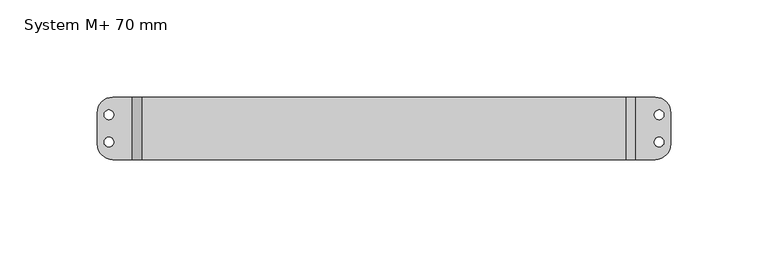
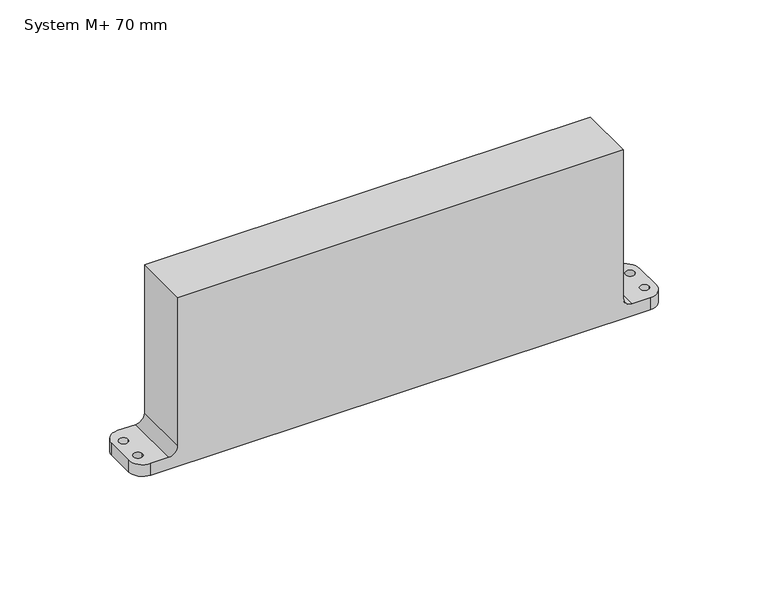
"""IFC4 building model written with IfcOpenShell, lengths in millimetres: proxy geometry, System M+ 70 mm."""

from ifc_helpers import new_model, si_unit, frame, origin, origin_with_axes, place, context, project, spatial, polyline, circle_curve, ellipse_curve, source, transform, mapped, element, save
from ifc_brep_helpers import plane_surface, cylinder_surface, revolved_surface, spline_surface, advanced_brep


def system_m_70_mm_618c95ed(model_context):
    return source(origin(), model_context, "Body", "AdvancedBrep", [
        advanced_brep(
        [(7.5, 0.0, 1.0), (-7.5, 0.0, 1.0), (6.75, 0.0, -8.0), (-6.75, 0.0, -8.0)],
        [
            (0, 1, ellipse_curve(frame((0.0, 0.0, 1.0), z_axis=(0.0, 0.0, 1.0), x_axis=(-1.0, 0.0, 0.0)), 7.5, 4.8)),
            (1, 0, ellipse_curve(frame((0.0, 0.0, 1.0), z_axis=(0.0, 0.0, 1.0), x_axis=(-1.0, 0.0, 0.0)), 7.5, 4.8)),
            (2, 3, ellipse_curve(frame((0.0, 0.0, -8.0), z_axis=(0.0, 0.0, -1.0), x_axis=(-1.0, 0.0, 0.0)), 6.75, 4.0)),
            (3, 2, ellipse_curve(frame((0.0, 0.0, -8.0), z_axis=(0.0, 0.0, -1.0), x_axis=(-1.0, 0.0, 0.0)), 6.75, 4.0)),
            (3, 1),
            (0, 2),
        ],
        [
            plane_surface(frame((0.0, 0.0, 1.0), z_axis=(0.0, 0.0, 1.0), x_axis=(0.0, 1.0, 0.0))),
            plane_surface(frame((0.0, 0.0, -8.0), z_axis=(0.0, 0.0, -1.0), x_axis=(0.0, 1.0, 0.0))),
            spline_surface(2, 1, [[(6.75, 0.0, -8.0), (7.5, 0.0, 1.0)], [(6.75, 4.0, -8.0), (7.5, 4.8, 1.0)], [(0.0, 4.0, -8.0), (0.0, 4.8, 1.0)], [(-6.75, 4.0, -8.0), (-7.5, 4.8, 1.0)], [(-6.75, 0.0, -8.0), (-7.5, 0.0, 1.0)]], [3, 2, 3], [2, 2], [0.0, 1.0, 2.0], [0.0, 1.0], weights=[[1.0, 1.0], [0.7071067811865476, 0.7071067811865476], [1.0, 1.0], [0.7071067811865476, 0.7071067811865476], [1.0, 1.0]]),
            spline_surface(2, 1, [[(-6.75, 0.0, -8.0), (-7.5, 0.0, 1.0)], [(-6.75, -4.0, -8.0), (-7.5, -4.8, 1.0)], [(0.0, -4.0, -8.0), (0.0, -4.8, 1.0)], [(6.75, -4.0, -8.0), (7.5, -4.8, 1.0)], [(6.75, 0.0, -8.0), (7.5, 0.0, 1.0)]], [3, 2, 3], [2, 2], [0.0, 1.0, 2.0], [0.0, 1.0], weights=[[1.0, 1.0], [0.7071067811865476, 0.7071067811865476], [1.0, 1.0], [0.7071067811865476, 0.7071067811865476], [1.0, 1.0]]),
        ],
        [
            (0, [[1, 2]]),
            (1, [[3, 4]]),
            (2, [[-4, 5, -1, 6]]),
            (3, [[-3, -6, -2, -5]]),
        ],
    ),
        advanced_brep(
        [(214.8, -16.0, 7.0), (209.8, -16.0, 12.0), (209.8, -16.0, 99.6), (-39.0, -16.0, 99.6), (-39.0, -16.0, 12.0), (-44.0, -16.0, 7.0), (-54.0, -16.0, 7.0), (-54.0, -16.0, 0.0), (224.8, -16.0, 0.0), (224.8, -16.0, 7.0), (-44.0, 16.0, 7.0), (-39.0, 16.0, 12.0), (-39.0, 16.0, 99.6), (209.8, 16.0, 99.6), (209.8, 16.0, 12.0), (214.8, 16.0, 7.0), (224.8, 16.0, 7.0), (224.8, 16.0, 0.0), (-54.0, 16.0, 0.0), (-54.0, 16.0, 7.0), (-62.0, -8.0, 7.0), (-62.0, 8.0, 7.0), (-62.0, 8.0, 0.0), (-62.0, -8.0, 0.0), (232.8, 8.0, 0.0), (232.8, -8.0, 0.0), (-14.0, 0.0, 0.0), (14.0, 0.0, 0.0), (-50.25, 7.0, 0.0), (-61.75, 7.0, 0.0), (-61.75, -7.0, 0.0), (-50.25, -7.0, 0.0), (232.55, 7.0, 0.0), (221.05, 7.0, 0.0), (221.05, -7.0, 0.0), (232.55, -7.0, 0.0), (232.8, 8.0, 7.0), (232.8, -8.0, 7.0), (224.3, 7.0, 7.0), (229.3, 7.0, 7.0), (229.3, -7.0, 7.0), (224.3, -7.0, 7.0), (-58.5, 7.0, 7.0), (-53.5, 7.0, 7.0), (-53.5, -7.0, 7.0), (-58.5, -7.0, 7.0), (-53.5, 7.0, 3.25), (-58.5, 7.0, 3.25), (-14.0, 0.0, 1.0), (14.0, 0.0, 1.0), (-53.5, -7.0, 3.25), (-58.5, -7.0, 3.25), (224.3, 7.0, 3.25), (229.3, 7.0, 3.25), (224.3, -7.0, 3.25), (229.3, -7.0, 3.25)],
        [
            (0, 1, circle_curve(frame((214.8, -16.0, 12.0), z_axis=(0.0, 1.0, 0.0), x_axis=(1.0, 0.0, 0.0)), 5.0)),
            (1, 2),
            (2, 3),
            (3, 4),
            (4, 5, circle_curve(frame((-44.0, -16.0, 12.0), z_axis=(0.0, 1.0, 0.0), x_axis=(1.0, 0.0, 0.0)), 5.0)),
            (5, 6),
            (6, 7),
            (7, 8),
            (8, 9),
            (9, 0),
            (10, 11, circle_curve(frame((-44.0, 16.0, 12.0), z_axis=(0.0, -1.0, 0.0), x_axis=(1.0, 0.0, 0.0)), 5.0)),
            (11, 12),
            (12, 13),
            (13, 14),
            (14, 15, circle_curve(frame((214.8, 16.0, 12.0), z_axis=(0.0, -1.0, 0.0), x_axis=(1.0, 0.0, 0.0)), 5.0)),
            (15, 16),
            (16, 17),
            (17, 18),
            (18, 19),
            (19, 10),
            (20, 21),
            (21, 22),
            (22, 23),
            (23, 20),
            (7, 23, circle_curve(frame((-54.0, -8.0, 0.0), z_axis=(0.0, 0.0, -1.0), x_axis=(1.0, 0.0, 0.0)), 8.0)),
            (22, 18, circle_curve(frame((-54.0, 8.0, 0.0), z_axis=(0.0, 0.0, -1.0), x_axis=(1.0, 0.0, 0.0)), 8.0)),
            (17, 24, circle_curve(frame((224.8, 8.0, 0.0), z_axis=(0.0, 0.0, -1.0), x_axis=(1.0, 0.0, 0.0)), 8.0)),
            (24, 25),
            (25, 8, circle_curve(frame((224.8, -8.0, 0.0), z_axis=(0.0, 0.0, -1.0), x_axis=(1.0, 0.0, 0.0)), 8.0)),
            (26, 27, circle_curve(origin_with_axes(), 14.0)),
            (27, 26, circle_curve(origin_with_axes(), 14.0)),
            (28, 29, circle_curve(frame((-56.0, 7.0, 0.0), z_axis=(0.0, 0.0, 1.0), x_axis=(-1.0, 0.0, 0.0)), 5.75)),
            (29, 28, circle_curve(frame((-56.0, 7.0, 0.0), z_axis=(0.0, 0.0, 1.0), x_axis=(-1.0, 0.0, 0.0)), 5.75)),
            (30, 31, circle_curve(frame((-56.0, -7.0, 0.0), z_axis=(0.0, 0.0, 1.0), x_axis=(-1.0, 0.0, 0.0)), 5.75)),
            (31, 30, circle_curve(frame((-56.0, -7.0, 0.0), z_axis=(0.0, 0.0, 1.0), x_axis=(-1.0, 0.0, 0.0)), 5.75)),
            (32, 33, circle_curve(frame((226.8, 7.0, 0.0), z_axis=(0.0, 0.0, 1.0), x_axis=(1.0, 0.0, 0.0)), 5.75)),
            (33, 32, circle_curve(frame((226.8, 7.0, 0.0), z_axis=(0.0, 0.0, 1.0), x_axis=(1.0, 0.0, 0.0)), 5.75)),
            (34, 35, circle_curve(frame((226.8, -7.0, 0.0), z_axis=(0.0, 0.0, 1.0), x_axis=(1.0, 0.0, 0.0)), 5.75)),
            (35, 34, circle_curve(frame((226.8, -7.0, 0.0), z_axis=(0.0, 0.0, 1.0), x_axis=(1.0, 0.0, 0.0)), 5.75)),
            (24, 36),
            (36, 37),
            (37, 25),
            (15, 0),
            (9, 37, circle_curve(frame((224.8, -8.0, 7.0), z_axis=(0.0, 0.0, 1.0), x_axis=(1.0, 0.0, 0.0)), 8.0)),
            (36, 16, circle_curve(frame((224.8, 8.0, 7.0), z_axis=(0.0, 0.0, 1.0), x_axis=(1.0, 0.0, 0.0)), 8.0)),
            (38, 39, circle_curve(frame((226.8, 7.0, 7.0), z_axis=(0.0, 0.0, -1.0), x_axis=(1.0, 0.0, 0.0)), 2.5)),
            (39, 38, circle_curve(frame((226.8, 7.0, 7.0), z_axis=(0.0, 0.0, -1.0), x_axis=(1.0, 0.0, 0.0)), 2.5)),
            (40, 41, circle_curve(frame((226.8, -7.0, 7.0), z_axis=(0.0, 0.0, -1.0), x_axis=(1.0, 0.0, 0.0)), 2.5)),
            (41, 40, circle_curve(frame((226.8, -7.0, 7.0), z_axis=(0.0, 0.0, -1.0), x_axis=(1.0, 0.0, 0.0)), 2.5)),
            (14, 1),
            (13, 2),
            (12, 3),
            (11, 4),
            (10, 5),
            (19, 21, circle_curve(frame((-54.0, 8.0, 7.0), z_axis=(0.0, 0.0, 1.0), x_axis=(1.0, 0.0, 0.0)), 8.0)),
            (20, 6, circle_curve(frame((-54.0, -8.0, 7.0), z_axis=(0.0, 0.0, 1.0), x_axis=(1.0, 0.0, 0.0)), 8.0)),
            (42, 43, circle_curve(frame((-56.0, 7.0, 7.0), z_axis=(0.0, 0.0, -1.0), x_axis=(-1.0, 0.0, 0.0)), 2.5)),
            (43, 42, circle_curve(frame((-56.0, 7.0, 7.0), z_axis=(0.0, 0.0, -1.0), x_axis=(-1.0, 0.0, 0.0)), 2.5)),
            (44, 45, circle_curve(frame((-56.0, -7.0, 7.0), z_axis=(0.0, 0.0, -1.0), x_axis=(-1.0, 0.0, 0.0)), 2.5)),
            (45, 44, circle_curve(frame((-56.0, -7.0, 7.0), z_axis=(0.0, 0.0, -1.0), x_axis=(-1.0, 0.0, 0.0)), 2.5)),
            (46, 43),
            (42, 47),
            (47, 46, circle_curve(frame((-56.0, 7.0, 3.25), z_axis=(0.0, 0.0, -1.0), x_axis=(-1.0, 0.0, 0.0)), 2.5)),
            (46, 47, circle_curve(frame((-56.0, 7.0, 3.25), z_axis=(0.0, 0.0, -1.0), x_axis=(-1.0, 0.0, 0.0)), 2.5)),
            (48, 49, circle_curve(frame((0.0, 0.0, 1.0), z_axis=(0.0, 0.0, -1.0), x_axis=(1.0, 0.0, 0.0)), 14.0)),
            (49, 48, circle_curve(frame((0.0, 0.0, 1.0), z_axis=(0.0, 0.0, -1.0), x_axis=(1.0, 0.0, 0.0)), 14.0)),
            (49, 27),
            (26, 48),
            (47, 29),
            (28, 46),
            (44, 50),
            (50, 51, circle_curve(frame((-56.0, -7.0, 3.25), z_axis=(0.0, 0.0, -1.0), x_axis=(-1.0, 0.0, 0.0)), 2.5)),
            (51, 45),
            (51, 50, circle_curve(frame((-56.0, -7.0, 3.25), z_axis=(0.0, 0.0, -1.0), x_axis=(-1.0, 0.0, 0.0)), 2.5)),
            (50, 31),
            (30, 51),
            (38, 52),
            (52, 53, circle_curve(frame((226.8, 7.0, 3.25), z_axis=(0.0, 0.0, -1.0), x_axis=(1.0, 0.0, 0.0)), 2.5)),
            (53, 39),
            (53, 52, circle_curve(frame((226.8, 7.0, 3.25), z_axis=(0.0, 0.0, -1.0), x_axis=(1.0, 0.0, 0.0)), 2.5)),
            (52, 33),
            (32, 53),
            (54, 41),
            (40, 55),
            (55, 54, circle_curve(frame((226.8, -7.0, 3.25), z_axis=(0.0, 0.0, -1.0), x_axis=(1.0, 0.0, 0.0)), 2.5)),
            (54, 55, circle_curve(frame((226.8, -7.0, 3.25), z_axis=(0.0, 0.0, -1.0), x_axis=(1.0, 0.0, 0.0)), 2.5)),
            (55, 35),
            (34, 54),
        ],
        [
            plane_surface(frame((-62.0, -16.0, 0.0), z_axis=(0.0, -1.0, 0.0), x_axis=(0.0, 0.0, -1.0))),
            plane_surface(frame((-62.0, 16.0, 0.0), z_axis=(0.0, 1.0, 0.0), x_axis=(0.0, 0.0, 1.0))),
            plane_surface(frame((-62.0, -16.0, 7.0), z_axis=(-1.0, 0.0, 0.0), x_axis=(0.0, 1.0, 0.0))),
            plane_surface(frame((-62.0, -16.0, 0.0), z_axis=(0.0, 0.0, -1.0), x_axis=(0.0, 1.0, 0.0))),
            plane_surface(frame((232.8, -16.0, 0.0), z_axis=(1.0, 0.0, 0.0), x_axis=(0.0, 1.0, 0.0))),
            plane_surface(frame((232.8, -16.0, 7.0), z_axis=(0.0, 0.0, 1.0), x_axis=(0.0, 1.0, 0.0))),
            revolved_surface(polyline([(219.8, 16.0, 12.0), (219.8, -16.0, 12.0)]), (214.8, 16.0, 12.0), (0.0, 1.0, 0.0)),
            plane_surface(frame((209.8, -16.0, 12.0), z_axis=(1.0, 0.0, 0.0), x_axis=(0.0, 1.0, 0.0))),
            plane_surface(frame((209.8, -16.0, 99.6), z_axis=(0.0, 0.0, 1.0), x_axis=(0.0, 1.0, 0.0))),
            plane_surface(frame((-39.0, -16.0, 99.6), z_axis=(-1.0, 0.0, 0.0), x_axis=(0.0, 1.0, 0.0))),
            revolved_surface(polyline([(-39.0, 16.0, 12.0), (-39.0, -16.0, 12.0)]), (-44.0, 16.0, 12.0), (0.0, 1.0, 0.0)),
            plane_surface(frame((-44.0, -16.0, 7.0), z_axis=(0.0, 0.0, 1.0), x_axis=(0.0, 1.0, 0.0))),
            revolved_surface(polyline([(-58.5, 7.0, 3.25), (-58.5, 7.0, 7.0)]), (-56.0, 7.0, 7.0), (0.0, 0.0, -1.0)),
            plane_surface(frame((14.0, 0.0, 1.0), z_axis=(0.0, 0.0, -1.0), x_axis=(0.0, 1.0, 0.0))),
            revolved_surface(polyline([(14.0, 0.0, 1.0), (14.0, 0.0, 0.0)]), (0.0, 0.0, 0.0), (0.0, 0.0, 1.0)),
            revolved_surface(polyline([(-61.75, 7.0, 0.0), (-58.5, 7.0, 3.25)]), (-56.0, 7.0, 7.0), (0.0, 0.0, -1.0)),
            revolved_surface(polyline([(-58.5, -7.0, 7.0), (-58.5, -7.0, 3.25)]), (-56.0, -7.0, 7.0), (0.0, 0.0, 1.0)),
            revolved_surface(polyline([(-58.5, -7.0, 3.25), (-61.75, -7.0, 0.0)]), (-56.0, -7.0, 7.0), (0.0, 0.0, 1.0)),
            revolved_surface(polyline([(229.3, 7.0, 7.0), (229.3, 7.0, 3.25)]), (226.8, 7.0, 7.0), (0.0, 0.0, 1.0)),
            revolved_surface(polyline([(229.3, 7.0, 3.25), (232.55, 7.0, 0.0)]), (226.8, 7.0, 7.0), (0.0, 0.0, 1.0)),
            revolved_surface(polyline([(229.3, -7.0, 3.25), (229.3, -7.0, 7.0)]), (226.8, -7.0, 7.0), (0.0, 0.0, -1.0)),
            revolved_surface(polyline([(232.55, -7.0, 0.0), (229.3, -7.0, 3.25)]), (226.8, -7.0, 7.0), (0.0, 0.0, -1.0)),
            cylinder_surface(frame((-54.0, -8.0, 0.0), z_axis=(0.0, 0.0, -1.0), x_axis=(1.0, 0.0, 0.0)), 8.0),
            cylinder_surface(frame((-54.0, 8.0, 0.0), z_axis=(0.0, 0.0, -1.0), x_axis=(1.0, 0.0, 0.0)), 8.0),
            cylinder_surface(frame((224.8, -8.0, 0.0), z_axis=(0.0, 0.0, -1.0), x_axis=(1.0, 0.0, 0.0)), 8.0),
            cylinder_surface(frame((224.8, 8.0, 0.0), z_axis=(0.0, 0.0, -1.0), x_axis=(1.0, 0.0, 0.0)), 8.0),
        ],
        [
            (0, [[1, 2, 3, 4, 5, 6, 7, 8, 9, 10]]),
            (1, [[11, 12, 13, 14, 15, 16, 17, 18, 19, 20]]),
            (2, [[21, 22, 23, 24]]),
            (3, [[-8, 25, -23, 26, -18, 27, 28, 29], [30, 31], [32, 33], [34, 35], [36, 37], [38, 39]]),
            (4, [[-28, 40, 41, 42]]),
            (5, [[43, -10, 44, -41, 45, -16], [46, 47], [48, 49]]),
            (6, [[-1, -43, -15, 50]]),
            (7, [[-2, -50, -14, 51]]),
            (8, [[-3, -51, -13, 52]]),
            (9, [[-4, -52, -12, 53]]),
            (10, [[-5, -53, -11, 54]]),
            (11, [[-54, -20, 55, -21, 56, -6], [57, 58], [59, 60]]),
            (12, [[61, -57, 62, 63]]),
            (12, [[-61, 64, -62, -58]]),
            (13, [[65, 66]]),
            (14, [[-66, 67, -30, 68]]),
            (14, [[-65, -68, -31, -67]]),
            (15, [[-63, 69, -32, 70]]),
            (15, [[-64, -70, -33, -69]]),
            (16, [[71, 72, 73, -59]]),
            (16, [[-71, -60, -73, 74]]),
            (17, [[-72, 75, -34, 76]]),
            (17, [[-74, -76, -35, -75]]),
            (18, [[77, 78, 79, -46]]),
            (18, [[-77, -47, -79, 80]]),
            (19, [[-78, 81, -36, 82]]),
            (19, [[-80, -82, -37, -81]]),
            (20, [[83, -48, 84, 85]]),
            (20, [[-83, 86, -84, -49]]),
            (21, [[-85, 87, -38, 88]]),
            (21, [[-86, -88, -39, -87]]),
            (22, [[-7, -56, -24, -25]]),
            (23, [[-19, -26, -22, -55]]),
            (24, [[-9, -29, -42, -44]]),
            (25, [[-17, -45, -40, -27]]),
        ],
    ),
    ])


if __name__ == "__main__":
    model = new_model("IFC4")
    model_context = context("Model", 3, world=origin())
    ifc_project = project(units=[si_unit("LENGTHUNIT", "METRE", prefix="MILLI")], contexts=[model_context])
    site = spatial("IfcSite", under=ifc_project)
    building = spatial("IfcBuilding", under=site)
    placement = place(None, origin())
    system_m_70_mm_shape = system_m_70_mm_618c95ed(model_context)
    element("IfcBuildingElementProxy", 1, Name="System M+ 70 mm", ObjectType="System M+ 70 mm", at=placement, inside=building, context=model_context, shape_type="MappedRepresentation", body=[
        mapped(system_m_70_mm_shape, transform((0.0, 0.0, 0.0), x_axis=(1.0, 0.0, 0.0), y_axis=(0.0, 1.0, 0.0), z_axis=(0.0, 0.0, 1.0))),
    ])
    save(model, "model.ifc")
